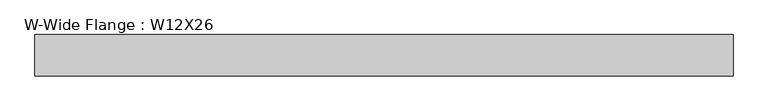
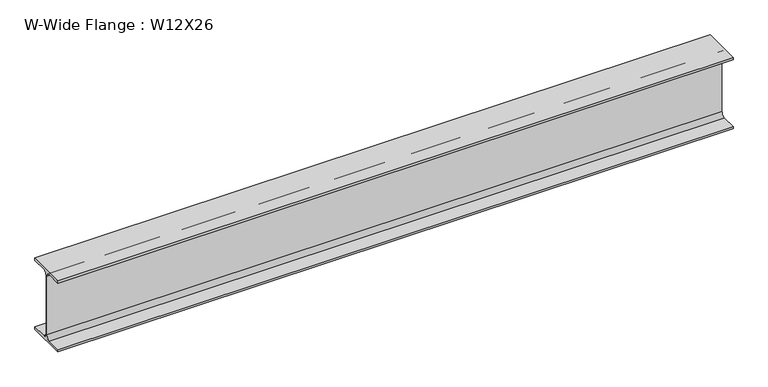
"""IFC4 building model written with IfcOpenShell, lengths in millimetres: beam geometry, W-Wide Flange : W12X26."""

import ifcopenshell
import ifcopenshell.guid

model = None  # the IFC model being written
_history = None  # IfcOwnerHistory: only IFC2X3 demands one
_inside = {}  # id of a spatial element -> (the spatial element, [elements in it])
_under = {}  # id of a project, library or spatial element -> (it, [spatial elements below it])
_declared = {}  # id of a project -> (the project, [libraries it declares])
_typed = {}  # id of a type object -> (the type object, [elements of that type])
_made_of = {}  # id of a material, layer set ... -> (it, [elements and type objects made of it])


def new_model(schema):
    """Start an empty IFC model of exactly this schema.

    Asked for "IFC4X3", IfcOpenShell would pick the latest addendum, in which some entities
    have other attributes; the version numbers below select the first issue.
    IFC2X3 requires an IfcOwnerHistory on every rooted entity: one is made here for all.
    """
    global model, _history
    if schema == "IFC4X3":
        model = ifcopenshell.file(schema_version=(4, 3, 0, 0))
    else:
        model = ifcopenshell.file(schema=schema)
    _inside.clear()
    _under.clear()
    _declared.clear()
    _typed.clear()
    _made_of.clear()
    _history = None
    if model.schema == "IFC2X3":
        org = make("IfcOrganization", Name="unknown")
        user = make(
            "IfcPersonAndOrganization",
            ThePerson=make("IfcPerson", FamilyName="unknown"),
            TheOrganization=org,
        )
        app = make(
            "IfcApplication",
            ApplicationDeveloper=org,
            Version="unknown",
            ApplicationFullName="unknown",
            ApplicationIdentifier="unknown",
        )
        _history = make(
            "IfcOwnerHistory",
            OwningUser=user,
            OwningApplication=app,
            ChangeAction="ADDED",
            CreationDate=0,
        )
    return model


def make(cls, **values):
    """One entity of the class cls with the attributes given. An attribute that is None is left unset."""
    return model.create_entity(
        cls, **{name: value for name, value in values.items() if value is not None}
    )


def rooted(cls, **values):
    """An entity with a GlobalId (a new one), such as an element, a storey or a relation."""
    return make(cls, GlobalId=ifcopenshell.guid.new(), OwnerHistory=_history, **values)


def si_unit(unit_type, name, prefix=None):
    """IfcSIUnit, for example si_unit("LENGTHUNIT", "METRE", prefix="MILLI")."""
    return make("IfcSIUnit", UnitType=unit_type, Prefix=prefix, Name=name)


def assignment(units):
    """IfcUnitAssignment: the units of a project."""
    return None if units is None else make("IfcUnitAssignment", Units=units)


def point(xyz):
    """IfcCartesianPoint."""
    return None if xyz is None else make("IfcCartesianPoint", Coordinates=xyz)


def direction(xyz):
    """IfcDirection."""
    return None if xyz is None else make("IfcDirection", DirectionRatios=xyz)


def frame(location, z_axis=None, x_axis=None):
    """IfcAxis2Placement3D, a coordinate frame: its origin and axes. An axis left out is left unset."""
    return make(
        "IfcAxis2Placement3D",
        Location=point(location),
        Axis=direction(z_axis),
        RefDirection=direction(x_axis),
    )


def frame_2d(location, x_axis=None):
    """IfcAxis2Placement2D, a coordinate frame in the plane: its origin and x axis."""
    return make(
        "IfcAxis2Placement2D", Location=point(location), RefDirection=direction(x_axis)
    )


def origin():
    """The frame at (0, 0, 0) with its axes left unset."""
    return frame((0.0, 0.0, 0.0))


def place(relative_to, where):
    """IfcLocalPlacement: puts the frame where relative to a parent placement (None: the world)."""
    return make(
        "IfcLocalPlacement", PlacementRelTo=relative_to, RelativePlacement=where
    )


def context(
    kind, dimensions, precision=None, world=None, true_north=None, identifier=None
):
    """IfcGeometricRepresentationContext, for example the 3D "Model" context."""
    return make(
        "IfcGeometricRepresentationContext",
        ContextIdentifier=identifier,
        ContextType=kind,
        CoordinateSpaceDimension=dimensions,
        Precision=precision,
        WorldCoordinateSystem=world,
        TrueNorth=true_north,
    )


def project(units=None, contexts=None):
    """IfcProject with its units and contexts."""
    return rooted(
        "IfcProject",
        Name="project",
        RepresentationContexts=contexts,
        UnitsInContext=assignment(units),
    )


def spatial(cls, under=None, at=None, **own):
    """A site, building, storey or space (cls), placed at a placement, below another one or the project."""
    s = rooted(cls, ObjectPlacement=at, **own)
    if under is not None:
        _under.setdefault(under.id(), (under, []))[1].append(s)
    return s


def polyline(points):
    """IfcPolyline through the points."""
    return make("IfcPolyline", Points=[point(p) for p in points])


def circle_curve(where, radius):
    """IfcCircle in the frame where."""
    return make("IfcCircle", Position=where, Radius=radius)


def trimmed(basis, trim1, trim2, sense, master):
    """IfcTrimmedCurve: the piece of a basis curve between two trims."""
    return make(
        "IfcTrimmedCurve",
        BasisCurve=basis,
        Trim1=trim1,
        Trim2=trim2,
        SenseAgreement=sense,
        MasterRepresentation=master,
    )


def segment(curve, same_sense, transition):
    """IfcCompositeCurveSegment."""
    return make(
        "IfcCompositeCurveSegment",
        Transition=transition,
        SameSense=same_sense,
        ParentCurve=curve,
    )


def composite_curve(segments, self_intersect=None):
    """IfcCompositeCurve: segments joined end to end."""
    return make("IfcCompositeCurve", Segments=segments, SelfIntersect=self_intersect)


def outline(outer, holes=None, kind="AREA"):
    """IfcArbitraryClosedProfileDef: a profile drawn as a closed curve; with holes, ...WithVoids."""
    if holes is None:
        return make("IfcArbitraryClosedProfileDef", ProfileType=kind, OuterCurve=outer)
    return make(
        "IfcArbitraryProfileDefWithVoids",
        ProfileType=kind,
        OuterCurve=outer,
        InnerCurves=holes,
    )


def extrude(swept, where, along, depth):
    """IfcExtrudedAreaSolid: the profile swept, set in the frame where, extruded along a direction by depth."""
    return make(
        "IfcExtrudedAreaSolid",
        SweptArea=swept,
        Position=where,
        ExtrudedDirection=direction(along),
        Depth=depth,
    )


def shape(context_of_items, identifier, shape_type, items):
    """IfcShapeRepresentation: the items that make up one representation, for example the "Body"."""
    return make(
        "IfcShapeRepresentation",
        ContextOfItems=context_of_items,
        RepresentationIdentifier=identifier,
        RepresentationType=shape_type,
        Items=items,
    )


def source(mapping_origin, context_of_items, identifier, shape_type, items):
    """IfcRepresentationMap: a shape defined once, which mapped items show again and again."""
    return make(
        "IfcRepresentationMap",
        MappingOrigin=mapping_origin,
        MappedRepresentation=shape(context_of_items, identifier, shape_type, items),
    )


def transform(
    local_origin,
    x_axis=None,
    y_axis=None,
    z_axis=None,
    scale=None,
    scale2=None,
    scale3=None,
    uniform=True,
):
    """IfcCartesianTransformationOperator3D, or its non-uniform kind. x_axis, y_axis, z_axis: its Axis1, 2, 3."""
    if uniform:
        return make(
            "IfcCartesianTransformationOperator3D",
            Axis1=direction(x_axis),
            Axis2=direction(y_axis),
            LocalOrigin=point(local_origin),
            Scale=scale,
            Axis3=direction(z_axis),
        )
    return make(
        "IfcCartesianTransformationOperator3DnonUniform",
        Axis1=direction(x_axis),
        Axis2=direction(y_axis),
        LocalOrigin=point(local_origin),
        Scale=scale,
        Axis3=direction(z_axis),
        Scale2=scale2,
        Scale3=scale3,
    )


def mapped(mapping_source, mapping_target):
    """IfcMappedItem: shows the shape of a source again, moved by a transform."""
    return make(
        "IfcMappedItem", MappingSource=mapping_source, MappingTarget=mapping_target
    )


def made_of(thing, what):
    """Note that an element or type object is made of a material, layer set ...; save() writes the relation."""
    if what is not None:
        _made_of.setdefault(what.id(), (what, []))[1].append(thing)
    return thing


def element(
    cls,
    number,
    at=None,
    inside=None,
    cuts=None,
    type_object=None,
    material=None,
    context=None,
    identifier="Body",
    shape_type=None,
    held_by="IfcProductDefinitionShape",
    body=None,
    shapes=None,
    **own,
):
    """One element of the class cls, such as IfcWall. Its Tag is "e" and its number.

    at: its placement. inside: the storey or other place that contains it. cuts: it is an
    opening in that element (IfcRelVoidsElement). A single representation is given by context,
    identifier, shape_type and body (its items); several are given by shapes. held_by: the class
    of the entity that holds the representations. save() writes the other relations.
    """
    e = rooted(cls, Tag="e%d" % number, ObjectPlacement=at, **own)
    if body is not None:
        shapes = [shape(context, identifier, shape_type, body)]
    if shapes is not None:
        e.Representation = make(held_by, Representations=shapes)
    if inside is not None:
        _inside.setdefault(inside.id(), (inside, []))[1].append(e)
    if cuts is not None:
        rooted(
            "IfcRelVoidsElement", RelatingBuildingElement=cuts, RelatedOpeningElement=e
        )
    if type_object is not None:
        _typed.setdefault(type_object.id(), (type_object, []))[1].append(e)
    return made_of(e, material)


def aggregate(whole, parts):
    """IfcRelAggregates: a whole, such as a stair, and the parts it consists of."""
    return rooted("IfcRelAggregates", RelatingObject=whole, RelatedObjects=parts)


def save(model, path):
    """Write the relations noted so far, then the file.

    IfcRelAggregates (storeys below a building ...), IfcRelContainedInSpatialStructure (elements
    in a storey), IfcRelDefinesByType, IfcRelAssociatesMaterial and IfcRelDeclares: one each for
    every whole, place, type object, material and project.
    """
    for whole, parts in _under.values():
        aggregate(whole, parts)
    for where, things in _inside.values():
        rooted(
            "IfcRelContainedInSpatialStructure",
            RelatedElements=things,
            RelatingStructure=where,
        )
    for kind, things in _typed.values():
        rooted("IfcRelDefinesByType", RelatedObjects=things, RelatingType=kind)
    for what, things in _made_of.values():
        rooted("IfcRelAssociatesMaterial", RelatedObjects=things, RelatingMaterial=what)
    for by, libraries in _declared.values():
        rooted("IfcRelDeclares", RelatingContext=by, RelatedDefinitions=libraries)
    model.write(path)


def w_wide_flange_w12x26_41a192d2(model_context):
    return source(origin(), model_context, "Body", "SweptSolid", [
        extrude(outline(composite_curve([segment(polyline([(-82.4011719, -145.5539063), (-20.2902344, -145.5539063)]), True, "CONTINUOUS"), segment(trimmed(circle_curve(frame_2d((-20.2902344, -128.190625)), 17.3632812), [point((-20.2902344, -145.5539063))], [point((-2.9269531, -128.190625))], True, "CARTESIAN"), True, "CONTINUOUS"), segment(polyline([(-2.9269531, -128.190625), (-2.9269531, 128.190625)]), True, "CONTINUOUS"), segment(trimmed(circle_curve(frame_2d((-20.2902344, 128.190625)), 17.3632812), [point((-2.9269531, 128.190625))], [point((-20.2902344, 145.5539062))], True, "CARTESIAN"), True, "CONTINUOUS"), segment(polyline([(-20.2902344, 145.5539062), (-82.4011719, 145.5539062), (-82.4011719, 155.178125), (82.4011719, 155.178125), (82.4011719, 145.5539062), (20.2902344, 145.5539062)]), True, "CONTINUOUS"), segment(trimmed(circle_curve(frame_2d((20.2902344, 128.190625)), 17.3632812), [point((20.2902344, 145.5539062))], [point((2.9269531, 128.190625))], True, "CARTESIAN"), True, "CONTINUOUS"), segment(polyline([(2.9269531, 128.190625), (2.9269531, -128.190625)]), True, "CONTINUOUS"), segment(trimmed(circle_curve(frame_2d((20.2902344, -128.190625)), 17.3632812), [point((2.9269531, -128.190625))], [point((20.2902344, -145.5539063))], True, "CARTESIAN"), True, "CONTINUOUS"), segment(polyline([(20.2902344, -145.5539063), (82.4011719, -145.5539063), (82.4011719, -155.178125), (-82.4011719, -155.178125), (-82.4011719, -145.5539063)]), True, "CONTINUOUS")], self_intersect=False)), frame((-1487.2755391, 0.0, 0.0), z_axis=(1.0, 0.0, 0.0), x_axis=(0.0, 1.0, 0.0)), (0.0, 0.0, 1.0), 2789.1743672),
    ])


if __name__ == "__main__":
    model = new_model("IFC4")
    model_context = context("Model", 3, world=origin())
    ifc_project = project(units=[si_unit("LENGTHUNIT", "METRE", prefix="MILLI")], contexts=[model_context])
    site = spatial("IfcSite", under=ifc_project)
    building = spatial("IfcBuilding", under=site)
    placement = place(None, origin())
    w_wide_flange_w12x26_shape = w_wide_flange_w12x26_41a192d2(model_context)
    element("IfcBeam", 1, ObjectType="W-Wide Flange : W12X26", at=placement, inside=building, context=model_context, shape_type="MappedRepresentation", body=[
        mapped(w_wide_flange_w12x26_shape, transform((0.0, 0.0, 0.0), x_axis=(1.0, 0.0, 0.0), y_axis=(0.0, 1.0, 0.0), z_axis=(0.0, 0.0, 1.0))),
    ])
    save(model, "model.ifc")
